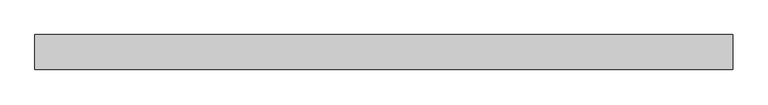
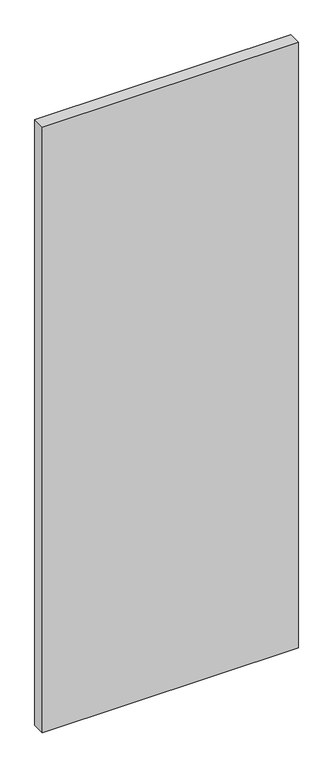
"""IFC4 building model written with IfcOpenShell, lengths in millimetres: proxy geometry."""

import ifcopenshell
import ifcopenshell.guid

model = None  # the IFC model being written
_history = None  # IfcOwnerHistory: only IFC2X3 demands one
_inside = {}  # id of a spatial element -> (the spatial element, [elements in it])
_under = {}  # id of a project, library or spatial element -> (it, [spatial elements below it])
_declared = {}  # id of a project -> (the project, [libraries it declares])
_typed = {}  # id of a type object -> (the type object, [elements of that type])
_made_of = {}  # id of a material, layer set ... -> (it, [elements and type objects made of it])


def new_model(schema):
    """Start an empty IFC model of exactly this schema.

    Asked for "IFC4X3", IfcOpenShell would pick the latest addendum, in which some entities
    have other attributes; the version numbers below select the first issue.
    IFC2X3 requires an IfcOwnerHistory on every rooted entity: one is made here for all.
    """
    global model, _history
    if schema == "IFC4X3":
        model = ifcopenshell.file(schema_version=(4, 3, 0, 0))
    else:
        model = ifcopenshell.file(schema=schema)
    _inside.clear()
    _under.clear()
    _declared.clear()
    _typed.clear()
    _made_of.clear()
    _history = None
    if model.schema == "IFC2X3":
        org = make("IfcOrganization", Name="unknown")
        user = make(
            "IfcPersonAndOrganization",
            ThePerson=make("IfcPerson", FamilyName="unknown"),
            TheOrganization=org,
        )
        app = make(
            "IfcApplication",
            ApplicationDeveloper=org,
            Version="unknown",
            ApplicationFullName="unknown",
            ApplicationIdentifier="unknown",
        )
        _history = make(
            "IfcOwnerHistory",
            OwningUser=user,
            OwningApplication=app,
            ChangeAction="ADDED",
            CreationDate=0,
        )
    return model


def make(cls, **values):
    """One entity of the class cls with the attributes given. An attribute that is None is left unset."""
    return model.create_entity(
        cls, **{name: value for name, value in values.items() if value is not None}
    )


def rooted(cls, **values):
    """An entity with a GlobalId (a new one), such as an element, a storey or a relation."""
    return make(cls, GlobalId=ifcopenshell.guid.new(), OwnerHistory=_history, **values)


def si_unit(unit_type, name, prefix=None):
    """IfcSIUnit, for example si_unit("LENGTHUNIT", "METRE", prefix="MILLI")."""
    return make("IfcSIUnit", UnitType=unit_type, Prefix=prefix, Name=name)


def assignment(units):
    """IfcUnitAssignment: the units of a project."""
    return None if units is None else make("IfcUnitAssignment", Units=units)


def point(xyz):
    """IfcCartesianPoint."""
    return None if xyz is None else make("IfcCartesianPoint", Coordinates=xyz)


def direction(xyz):
    """IfcDirection."""
    return None if xyz is None else make("IfcDirection", DirectionRatios=xyz)


def frame(location, z_axis=None, x_axis=None):
    """IfcAxis2Placement3D, a coordinate frame: its origin and axes. An axis left out is left unset."""
    return make(
        "IfcAxis2Placement3D",
        Location=point(location),
        Axis=direction(z_axis),
        RefDirection=direction(x_axis),
    )


def origin():
    """The frame at (0, 0, 0) with its axes left unset."""
    return frame((0.0, 0.0, 0.0))


def origin_with_axes():
    """The frame at (0, 0, 0) with the z axis (0, 0, 1) and the x axis (1, 0, 0) written out."""
    return frame((0.0, 0.0, 0.0), z_axis=(0.0, 0.0, 1.0), x_axis=(1.0, 0.0, 0.0))


def place(relative_to, where):
    """IfcLocalPlacement: puts the frame where relative to a parent placement (None: the world)."""
    return make(
        "IfcLocalPlacement", PlacementRelTo=relative_to, RelativePlacement=where
    )


def context(
    kind, dimensions, precision=None, world=None, true_north=None, identifier=None
):
    """IfcGeometricRepresentationContext, for example the 3D "Model" context."""
    return make(
        "IfcGeometricRepresentationContext",
        ContextIdentifier=identifier,
        ContextType=kind,
        CoordinateSpaceDimension=dimensions,
        Precision=precision,
        WorldCoordinateSystem=world,
        TrueNorth=true_north,
    )


def project(units=None, contexts=None):
    """IfcProject with its units and contexts."""
    return rooted(
        "IfcProject",
        Name="project",
        RepresentationContexts=contexts,
        UnitsInContext=assignment(units),
    )


def spatial(cls, under=None, at=None, **own):
    """A site, building, storey or space (cls), placed at a placement, below another one or the project."""
    s = rooted(cls, ObjectPlacement=at, **own)
    if under is not None:
        _under.setdefault(under.id(), (under, []))[1].append(s)
    return s


def polyline(points):
    """IfcPolyline through the points."""
    return make("IfcPolyline", Points=[point(p) for p in points])


def outline(outer, holes=None, kind="AREA"):
    """IfcArbitraryClosedProfileDef: a profile drawn as a closed curve; with holes, ...WithVoids."""
    if holes is None:
        return make("IfcArbitraryClosedProfileDef", ProfileType=kind, OuterCurve=outer)
    return make(
        "IfcArbitraryProfileDefWithVoids",
        ProfileType=kind,
        OuterCurve=outer,
        InnerCurves=holes,
    )


def extrude(swept, where, along, depth):
    """IfcExtrudedAreaSolid: the profile swept, set in the frame where, extruded along a direction by depth."""
    return make(
        "IfcExtrudedAreaSolid",
        SweptArea=swept,
        Position=where,
        ExtrudedDirection=direction(along),
        Depth=depth,
    )


def shape(context_of_items, identifier, shape_type, items):
    """IfcShapeRepresentation: the items that make up one representation, for example the "Body"."""
    return make(
        "IfcShapeRepresentation",
        ContextOfItems=context_of_items,
        RepresentationIdentifier=identifier,
        RepresentationType=shape_type,
        Items=items,
    )


def source(mapping_origin, context_of_items, identifier, shape_type, items):
    """IfcRepresentationMap: a shape defined once, which mapped items show again and again."""
    return make(
        "IfcRepresentationMap",
        MappingOrigin=mapping_origin,
        MappedRepresentation=shape(context_of_items, identifier, shape_type, items),
    )


def transform(
    local_origin,
    x_axis=None,
    y_axis=None,
    z_axis=None,
    scale=None,
    scale2=None,
    scale3=None,
    uniform=True,
):
    """IfcCartesianTransformationOperator3D, or its non-uniform kind. x_axis, y_axis, z_axis: its Axis1, 2, 3."""
    if uniform:
        return make(
            "IfcCartesianTransformationOperator3D",
            Axis1=direction(x_axis),
            Axis2=direction(y_axis),
            LocalOrigin=point(local_origin),
            Scale=scale,
            Axis3=direction(z_axis),
        )
    return make(
        "IfcCartesianTransformationOperator3DnonUniform",
        Axis1=direction(x_axis),
        Axis2=direction(y_axis),
        LocalOrigin=point(local_origin),
        Scale=scale,
        Axis3=direction(z_axis),
        Scale2=scale2,
        Scale3=scale3,
    )


def mapped(mapping_source, mapping_target):
    """IfcMappedItem: shows the shape of a source again, moved by a transform."""
    return make(
        "IfcMappedItem", MappingSource=mapping_source, MappingTarget=mapping_target
    )


def made_of(thing, what):
    """Note that an element or type object is made of a material, layer set ...; save() writes the relation."""
    if what is not None:
        _made_of.setdefault(what.id(), (what, []))[1].append(thing)
    return thing


def element(
    cls,
    number,
    at=None,
    inside=None,
    cuts=None,
    type_object=None,
    material=None,
    context=None,
    identifier="Body",
    shape_type=None,
    held_by="IfcProductDefinitionShape",
    body=None,
    shapes=None,
    **own,
):
    """One element of the class cls, such as IfcWall. Its Tag is "e" and its number.

    at: its placement. inside: the storey or other place that contains it. cuts: it is an
    opening in that element (IfcRelVoidsElement). A single representation is given by context,
    identifier, shape_type and body (its items); several are given by shapes. held_by: the class
    of the entity that holds the representations. save() writes the other relations.
    """
    e = rooted(cls, Tag="e%d" % number, ObjectPlacement=at, **own)
    if body is not None:
        shapes = [shape(context, identifier, shape_type, body)]
    if shapes is not None:
        e.Representation = make(held_by, Representations=shapes)
    if inside is not None:
        _inside.setdefault(inside.id(), (inside, []))[1].append(e)
    if cuts is not None:
        rooted(
            "IfcRelVoidsElement", RelatingBuildingElement=cuts, RelatedOpeningElement=e
        )
    if type_object is not None:
        _typed.setdefault(type_object.id(), (type_object, []))[1].append(e)
    return made_of(e, material)


def aggregate(whole, parts):
    """IfcRelAggregates: a whole, such as a stair, and the parts it consists of."""
    return rooted("IfcRelAggregates", RelatingObject=whole, RelatedObjects=parts)


def save(model, path):
    """Write the relations noted so far, then the file.

    IfcRelAggregates (storeys below a building ...), IfcRelContainedInSpatialStructure (elements
    in a storey), IfcRelDefinesByType, IfcRelAssociatesMaterial and IfcRelDeclares: one each for
    every whole, place, type object, material and project.
    """
    for whole, parts in _under.values():
        aggregate(whole, parts)
    for where, things in _inside.values():
        rooted(
            "IfcRelContainedInSpatialStructure",
            RelatedElements=things,
            RelatingStructure=where,
        )
    for kind, things in _typed.values():
        rooted("IfcRelDefinesByType", RelatedObjects=things, RelatingType=kind)
    for what, things in _made_of.values():
        rooted("IfcRelAssociatesMaterial", RelatedObjects=things, RelatingMaterial=what)
    for by, libraries in _declared.values():
        rooted("IfcRelDeclares", RelatingContext=by, RelatedDefinitions=libraries)
    model.write(path)


def generic_models_14f2f2da(model_context):
    return source(origin(), model_context, "Body", "SweptSolid", [
        extrude(outline(polyline([(0.0, 100.0), (0.0, 0.0), (-2000.0, 0.0), (-2000.0, 100.0), (0.0, 100.0)])), origin_with_axes(), (0.0, 0.0, 1.0), 5000.0),
    ])


if __name__ == "__main__":
    model = new_model("IFC4")
    model_context = context("Model", 3, world=origin())
    ifc_project = project(units=[si_unit("LENGTHUNIT", "METRE", prefix="MILLI")], contexts=[model_context])
    site = spatial("IfcSite", under=ifc_project)
    building = spatial("IfcBuilding", under=site)
    placement = place(None, origin())
    generic_models_shape = generic_models_14f2f2da(model_context)
    element("IfcBuildingElementProxy", 1, Name="Generic Models", at=placement, inside=building, context=model_context, shape_type="MappedRepresentation", body=[
        mapped(generic_models_shape, transform((0.0, 0.0, 0.0), x_axis=(1.0, 0.0, 0.0), y_axis=(0.0, 1.0, 0.0), z_axis=(0.0, 0.0, 1.0))),
    ])
    save(model, "model.ifc")
